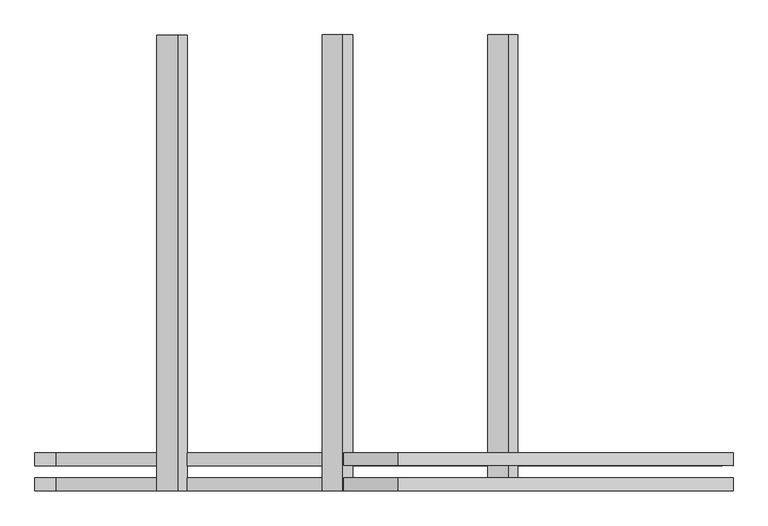
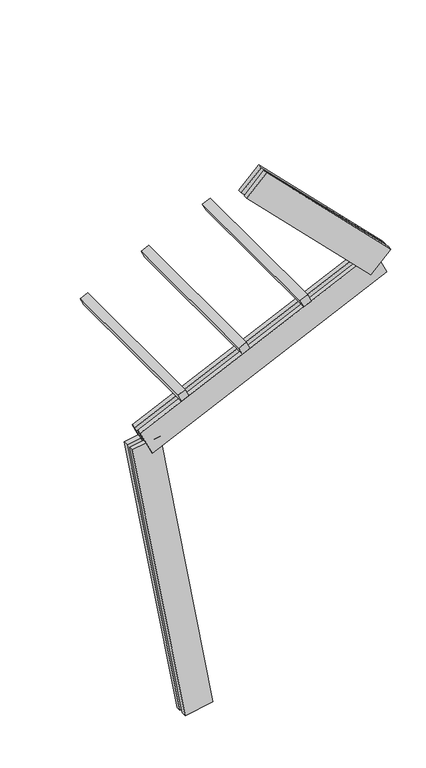
"""IFC4 building model written with IfcOpenShell, lengths in millimetres: proxy geometry."""

from ifc_helpers import new_model, si_unit, frame, origin, place, context, project, spatial, polyline, outline, extrude, source, transform, mapped, element, save


def generic_models_d04afb75(model_context):
    return source(origin(), model_context, "Body", "SweptSolid", [
        extrude(outline(polyline([(1500.0, 0.0), (0.0, 0.0), (0.0, 75.0), (1500.0, 75.0), (1500.0, 0.0)])), frame((-91.1811636, -62.5, 2973.0130808), z_axis=(-0.4226182617406989, 0.0, 0.9063077870366503), x_axis=(0.0, 1.0, 0.0)), (0.0, 0.0, 1.0), 75.0),
        extrude(outline(polyline([(1500.0, 0.0), (0.0, 0.0), (0.0, 75.0), (1500.0, 75.0), (1500.0, 0.0)])), frame((452.6035086, -62.5, 3226.5840379), z_axis=(-0.4226182617406989, 0.0, 0.9063077870366503), x_axis=(0.0, 1.0, 0.0)), (0.0, 0.0, 1.0), 75.0),
        extrude(outline(polyline([(1500.0, 0.0), (0.0, 0.0), (0.0, 75.0000001), (1500.0, 75.0000001), (1500.0, 0.0)])), frame((996.3881809, -62.5, 3480.1549949), z_axis=(-0.4226182617406989, 0.0, 0.9063077870366503), x_axis=(0.0, 1.0, 0.0)), (0.0, 0.0, 1.0), 75.0),
        extrude(outline(polyline([(1559.9999999, 125.0), (1559.9999999, 82.5), (0.0, 82.5), (0.0, 125.0), (1559.9999999, 125.0)])), frame((1527.2694828, 62.5, 3542.6145875), z_axis=(0.7071067811865492, 0.0, 0.7071067811865459), x_axis=(-0.7071067811865459, 0.0, 0.7071067811865492)), (0.0, 0.0, 1.0), 250.0),
        extrude(outline(polyline([(0.0, 0.0), (0.0, 42.5), (1559.9999999, 42.5), (1559.9999999, 0.0), (0.0, 0.0)])), frame((1527.2694828, 62.5, 3542.6145875), z_axis=(0.7071067811865492, 0.0, 0.7071067811865459), x_axis=(-0.7071067811865459, 0.0, 0.7071067811865492)), (0.0, 0.0, 1.0), 250.0),
        extrude(outline(polyline([(2300.0, 125.0), (2300.0, 82.5), (0.0, 82.5), (0.0, 125.0), (2300.0, 125.0)])), frame((1668.4851132, 62.5, 3517.7144618), z_axis=(-0.4226182617406989, 0.0, 0.9063077870366503), x_axis=(-0.9063077870366503, 0.0, -0.4226182617406989)), (0.0, 0.0, 1.0), 250.0),
        extrude(outline(polyline([(0.0, 0.0), (0.0, 42.5), (2300.0, 42.5), (2300.0, 0.0), (0.0, 0.0)])), frame((1668.4851132, 62.5, 3517.7144618), z_axis=(-0.4226182617406989, 0.0, 0.9063077870366503), x_axis=(-0.9063077870366503, 0.0, -0.4226182617406989)), (0.0, 0.0, 1.0), 250.0),
        extrude(outline(polyline([(-125.0, 249.9999999), (-82.5, 249.9999999), (-82.5, 0.0), (-125.0, 0.0), (-125.0, 249.9999999)])), frame((123.1009691, 62.5, 21.7060222), z_axis=(-0.17364817766693158, 0.0, 0.9848077530122079), x_axis=(0.0, 1.0, 0.0)), (0.0, 0.0, 1.0), 2700.0),
        extrude(outline(polyline([(0.0, 0.0), (-42.5, 0.0), (-42.5, 249.9999999), (0.0, 249.9999999), (0.0, 0.0)])), frame((123.1009691, 62.5, 21.7060222), z_axis=(-0.17364817766693158, 0.0, 0.9848077530122079), x_axis=(0.0, 1.0, 0.0)), (0.0, 0.0, 1.0), 2700.0),
    ])


if __name__ == "__main__":
    model = new_model("IFC4")
    model_context = context("Model", 3, world=origin())
    ifc_project = project(units=[si_unit("LENGTHUNIT", "METRE", prefix="MILLI")], contexts=[model_context])
    site = spatial("IfcSite", under=ifc_project)
    building = spatial("IfcBuilding", under=site)
    placement = place(None, origin())
    generic_models_shape = generic_models_d04afb75(model_context)
    element("IfcBuildingElementProxy", 1, Name="Generic Models", at=placement, inside=building, context=model_context, shape_type="MappedRepresentation", body=[
        mapped(generic_models_shape, transform((0.0, 0.0, 0.0), x_axis=(1.0, 0.0, 0.0), y_axis=(0.0, 1.0, 0.0), z_axis=(0.0, 0.0, 1.0))),
    ])
    save(model, "model.ifc")
